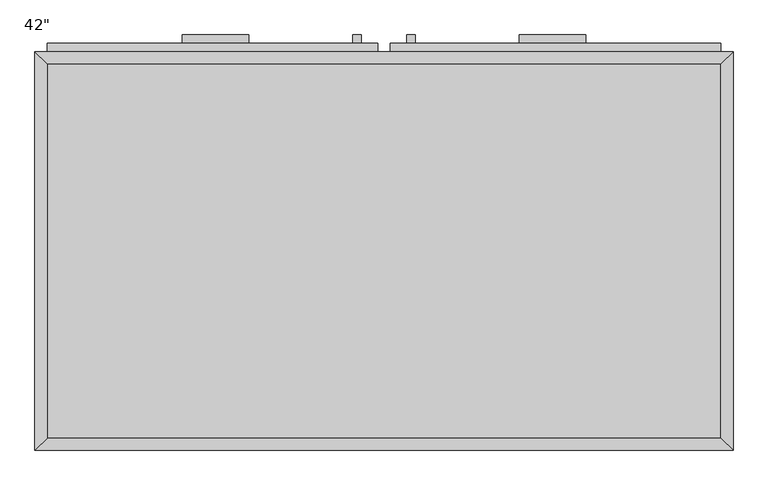
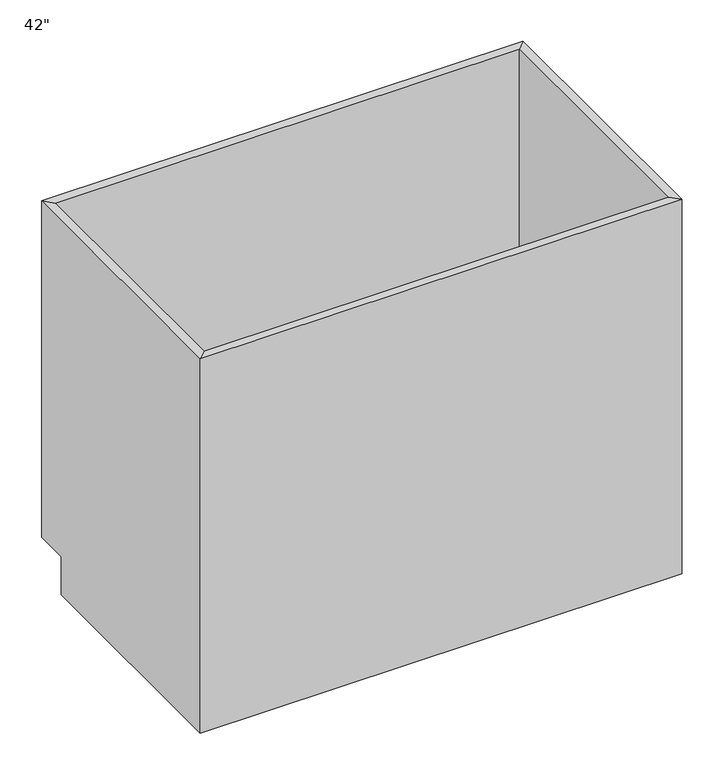
"""IFC4 building model written with IfcOpenShell, lengths in millimetres: furniture geometry."""

from ifc_helpers import new_model, si_unit, frame, origin, place, context, project, spatial, polyline, outline, extrude, faceted_brep, source, transform, mapped, element, save


def furniture_a240e8fc(model_context):
    return source(origin(), model_context, "Body", "SolidModel", [
        faceted_brep([(533.0877049, 590.55, 876.3), (-495.6122951, 590.55, 876.3), (-495.6122951, 590.55, 88.9), (533.0877049, 590.55, 88.9), (552.1377049, 609.6, 876.3), (-514.6622951, 609.6, 876.3), (552.1377049, 609.6, 88.9), (-514.6622951, 609.6, 88.9), (-495.6122951, 19.05, 876.3), (-495.6122951, 19.05, 88.9), (-495.6122951, 533.4, 88.9), (-514.6622951, 0.0, 876.3), (-514.6622951, 533.4, 88.9), (-514.6622951, 533.4, 0.0), (-514.6622951, 0.0, 0.0), (533.0877049, 19.05, 876.3), (533.0877049, 19.05, 88.9), (552.1377049, 0.0, 876.3), (552.1377049, 0.0, 0.0), (533.0877049, 533.4, 88.9), (552.1377049, 533.4, 0.0), (552.1377049, 533.4, 88.9)], [[[0, 1, 2, 3]], [[0, 4, 5, 1]], [[4, 6, 7, 5]], [[2, 7, 6, 3]], [[1, 8, 9, 10, 2]], [[5, 11, 8, 1]], [[7, 12, 13, 14, 11, 5]], [[2, 10, 12, 7]], [[8, 15, 16, 9]], [[11, 17, 15, 8]], [[14, 18, 17, 11]], [[3, 19, 16, 15, 0]], [[0, 15, 17, 4]], [[4, 17, 18, 20, 21, 6]], [[6, 21, 19, 3]], [[10, 9, 16, 19]], [[18, 14, 13, 20]], [[13, 12, 10, 19, 21, 20]]]),
        extrude(outline(polyline([(-187.6372951, 635.0), (-187.6372951, 622.3), (-289.2372951, 622.3), (-289.2372951, 635.0), (-187.6372951, 635.0)])), frame((0.0, 0.0, 819.15), z_axis=(0.0, 0.0, 1.0), x_axis=(1.0, 0.0, 0.0)), (0.0, 0.0, 1.0), 12.7),
        extrude(outline(polyline([(326.7127049, 635.0), (326.7127049, 622.3), (225.1127049, 622.3), (225.1127049, 635.0), (326.7127049, 635.0)])), frame((0.0, 0.0, 819.15), z_axis=(0.0, 0.0, 1.0), x_axis=(1.0, 0.0, 0.0)), (0.0, 0.0, 1.0), 12.7),
        extrude(outline(polyline([(-16.1872951, 635.0), (-16.1872951, 622.3), (-28.8872951, 622.3), (-28.8872951, 635.0), (-16.1872951, 635.0)])), frame((0.0, 0.0, 596.9), z_axis=(0.0, 0.0, 1.0), x_axis=(1.0, 0.0, 0.0)), (0.0, 0.0, 1.0), 101.6),
        extrude(outline(polyline([(66.3627049, 635.0), (66.3627049, 622.3), (53.6627049, 622.3), (53.6627049, 635.0), (66.3627049, 635.0)])), frame((0.0, 0.0, 596.9), z_axis=(0.0, 0.0, 1.0), x_axis=(1.0, 0.0, 0.0)), (0.0, 0.0, 1.0), 101.6),
        extrude(outline(polyline([(533.0877049, 19.05), (-495.6122951, 19.05), (-495.6122951, 590.55), (533.0877049, 590.55), (533.0877049, 19.05)])), frame((0.0, 0.0, 88.9), z_axis=(0.0, 0.0, 1.0), x_axis=(1.0, 0.0, 0.0)), (0.0, 0.0, 1.0), 19.05),
        extrude(outline(polyline([(9.2127049, 622.3), (9.2127049, 609.6), (-495.6122951, 609.6), (-495.6122951, 622.3), (9.2127049, 622.3)])), frame((0.0, 0.0, 755.65), z_axis=(0.0, 0.0, 1.0), x_axis=(1.0, 0.0, 0.0)), (0.0, 0.0, 1.0), 101.6),
        extrude(outline(polyline([(533.0877049, 622.3), (533.0877049, 609.6), (28.2627049, 609.6), (28.2627049, 622.3), (533.0877049, 622.3)])), frame((0.0, 0.0, 755.65), z_axis=(0.0, 0.0, 1.0), x_axis=(1.0, 0.0, 0.0)), (0.0, 0.0, 1.0), 101.6),
        extrude(outline(polyline([(9.2127049, 622.3), (9.2127049, 609.6), (-495.6122951, 609.6), (-495.6122951, 622.3), (9.2127049, 622.3)])), frame((0.0, 0.0, 107.95), z_axis=(0.0, 0.0, 1.0), x_axis=(1.0, 0.0, 0.0)), (0.0, 0.0, 1.0), 628.65),
        extrude(outline(polyline([(533.0877049, 622.3), (533.0877049, 609.6), (28.2627049, 609.6), (28.2627049, 622.3), (533.0877049, 622.3)])), frame((0.0, 0.0, 107.95), z_axis=(0.0, 0.0, 1.0), x_axis=(1.0, 0.0, 0.0)), (0.0, 0.0, 1.0), 628.65),
    ])


if __name__ == "__main__":
    model = new_model("IFC4")
    model_context = context("Model", 3, world=origin())
    ifc_project = project(units=[si_unit("LENGTHUNIT", "METRE", prefix="MILLI")], contexts=[model_context])
    site = spatial("IfcSite", under=ifc_project)
    building = spatial("IfcBuilding", under=site)
    placement = place(None, origin())
    furniture_shape = furniture_a240e8fc(model_context)
    element("IfcFurniture", 1, ObjectType="42\"", at=placement, inside=building, context=model_context, shape_type="MappedRepresentation", body=[
        mapped(furniture_shape, transform((0.0, 0.0, 0.0), x_axis=(1.0, 0.0, 0.0), y_axis=(0.0, 1.0, 0.0), z_axis=(0.0, 0.0, 1.0))),
    ])
    save(model, "model.ifc")
